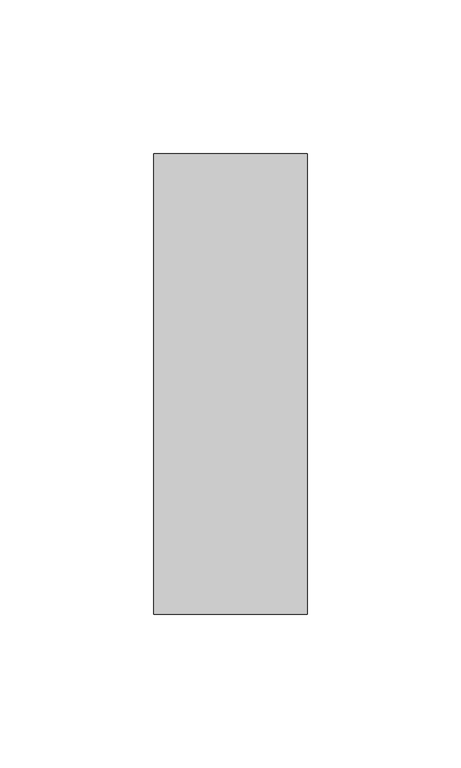
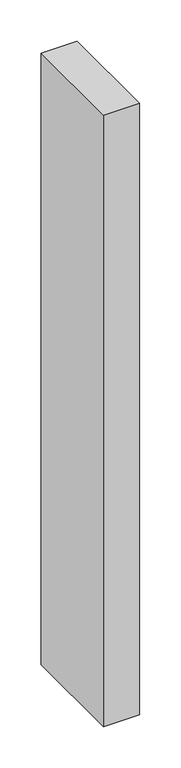
"""IFC4 building model written with IfcOpenShell, lengths in millimetres: member geometry."""

from ifc_helpers import new_model, si_unit, frame, origin, place, context, project, spatial, polyline, outline, extrude, source, transform, mapped, element, save


def member_35d6a770(model_context):
    return source(origin(), model_context, "Body", "SweptSolid", [
        extrude(outline(polyline([(0.0, 75.0), (0.0, -75.0), (-50.0, -75.0), (-50.0, 75.0), (0.0, 75.0)])), frame((0.0, 0.0, -900.0), z_axis=(0.0, 0.0, 1.0), x_axis=(1.0, 0.0, 0.0)), (0.0, 0.0, 1.0), 900.0),
    ])


if __name__ == "__main__":
    model = new_model("IFC4")
    model_context = context("Model", 3, world=origin())
    ifc_project = project(units=[si_unit("LENGTHUNIT", "METRE", prefix="MILLI")], contexts=[model_context])
    site = spatial("IfcSite", under=ifc_project)
    building = spatial("IfcBuilding", under=site)
    placement = place(None, origin())
    member_shape = member_35d6a770(model_context)
    element("IfcMember", 1, at=placement, inside=building, context=model_context, shape_type="MappedRepresentation", body=[
        mapped(member_shape, transform((0.0, 0.0, 0.0), x_axis=(1.0, 0.0, 0.0), y_axis=(0.0, 1.0, 0.0), z_axis=(0.0, 0.0, 1.0))),
    ])
    save(model, "model.ifc")
